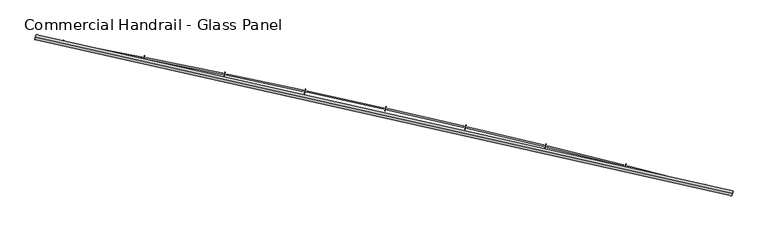
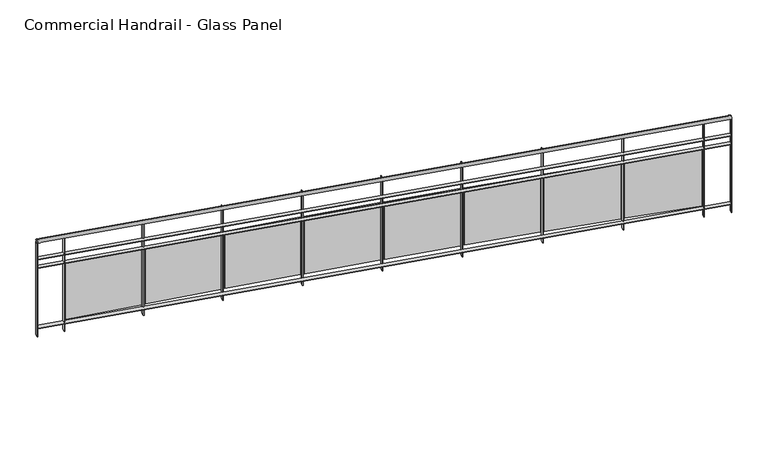
"""IFC4 building model written with IfcOpenShell, lengths in millimetres: railing geometry, Commercial Handrail - Glass Panel."""

import ifcopenshell
import ifcopenshell.guid

model = None  # the IFC model being written
_history = None  # IfcOwnerHistory: only IFC2X3 demands one
_inside = {}  # id of a spatial element -> (the spatial element, [elements in it])
_under = {}  # id of a project, library or spatial element -> (it, [spatial elements below it])
_declared = {}  # id of a project -> (the project, [libraries it declares])
_typed = {}  # id of a type object -> (the type object, [elements of that type])
_made_of = {}  # id of a material, layer set ... -> (it, [elements and type objects made of it])


def new_model(schema):
    """Start an empty IFC model of exactly this schema.

    Asked for "IFC4X3", IfcOpenShell would pick the latest addendum, in which some entities
    have other attributes; the version numbers below select the first issue.
    IFC2X3 requires an IfcOwnerHistory on every rooted entity: one is made here for all.
    """
    global model, _history
    if schema == "IFC4X3":
        model = ifcopenshell.file(schema_version=(4, 3, 0, 0))
    else:
        model = ifcopenshell.file(schema=schema)
    _inside.clear()
    _under.clear()
    _declared.clear()
    _typed.clear()
    _made_of.clear()
    _history = None
    if model.schema == "IFC2X3":
        org = make("IfcOrganization", Name="unknown")
        user = make(
            "IfcPersonAndOrganization",
            ThePerson=make("IfcPerson", FamilyName="unknown"),
            TheOrganization=org,
        )
        app = make(
            "IfcApplication",
            ApplicationDeveloper=org,
            Version="unknown",
            ApplicationFullName="unknown",
            ApplicationIdentifier="unknown",
        )
        _history = make(
            "IfcOwnerHistory",
            OwningUser=user,
            OwningApplication=app,
            ChangeAction="ADDED",
            CreationDate=0,
        )
    return model


def make(cls, **values):
    """One entity of the class cls with the attributes given. An attribute that is None is left unset."""
    return model.create_entity(
        cls, **{name: value for name, value in values.items() if value is not None}
    )


def rooted(cls, **values):
    """An entity with a GlobalId (a new one), such as an element, a storey or a relation."""
    return make(cls, GlobalId=ifcopenshell.guid.new(), OwnerHistory=_history, **values)


def si_unit(unit_type, name, prefix=None):
    """IfcSIUnit, for example si_unit("LENGTHUNIT", "METRE", prefix="MILLI")."""
    return make("IfcSIUnit", UnitType=unit_type, Prefix=prefix, Name=name)


def assignment(units):
    """IfcUnitAssignment: the units of a project."""
    return None if units is None else make("IfcUnitAssignment", Units=units)


def point(xyz):
    """IfcCartesianPoint."""
    return None if xyz is None else make("IfcCartesianPoint", Coordinates=xyz)


def direction(xyz):
    """IfcDirection."""
    return None if xyz is None else make("IfcDirection", DirectionRatios=xyz)


def frame(location, z_axis=None, x_axis=None):
    """IfcAxis2Placement3D, a coordinate frame: its origin and axes. An axis left out is left unset."""
    return make(
        "IfcAxis2Placement3D",
        Location=point(location),
        Axis=direction(z_axis),
        RefDirection=direction(x_axis),
    )


def origin():
    """The frame at (0, 0, 0) with its axes left unset."""
    return frame((0.0, 0.0, 0.0))


def place(relative_to, where):
    """IfcLocalPlacement: puts the frame where relative to a parent placement (None: the world)."""
    return make(
        "IfcLocalPlacement", PlacementRelTo=relative_to, RelativePlacement=where
    )


def context(
    kind, dimensions, precision=None, world=None, true_north=None, identifier=None
):
    """IfcGeometricRepresentationContext, for example the 3D "Model" context."""
    return make(
        "IfcGeometricRepresentationContext",
        ContextIdentifier=identifier,
        ContextType=kind,
        CoordinateSpaceDimension=dimensions,
        Precision=precision,
        WorldCoordinateSystem=world,
        TrueNorth=true_north,
    )


def project(units=None, contexts=None):
    """IfcProject with its units and contexts."""
    return rooted(
        "IfcProject",
        Name="project",
        RepresentationContexts=contexts,
        UnitsInContext=assignment(units),
    )


def spatial(cls, under=None, at=None, **own):
    """A site, building, storey or space (cls), placed at a placement, below another one or the project."""
    s = rooted(cls, ObjectPlacement=at, **own)
    if under is not None:
        _under.setdefault(under.id(), (under, []))[1].append(s)
    return s


def polyline(points):
    """IfcPolyline through the points."""
    return make("IfcPolyline", Points=[point(p) for p in points])


def circle_curve(where, radius):
    """IfcCircle in the frame where."""
    return make("IfcCircle", Position=where, Radius=radius)


def ellipse_curve(where, semi_axis1, semi_axis2):
    """IfcEllipse in the frame where."""
    return make(
        "IfcEllipse", Position=where, SemiAxis1=semi_axis1, SemiAxis2=semi_axis2
    )


def trimmed(basis, trim1, trim2, sense, master):
    """IfcTrimmedCurve: the piece of a basis curve between two trims."""
    return make(
        "IfcTrimmedCurve",
        BasisCurve=basis,
        Trim1=trim1,
        Trim2=trim2,
        SenseAgreement=sense,
        MasterRepresentation=master,
    )


def outline(outer, holes=None, kind="AREA"):
    """IfcArbitraryClosedProfileDef: a profile drawn as a closed curve; with holes, ...WithVoids."""
    if holes is None:
        return make("IfcArbitraryClosedProfileDef", ProfileType=kind, OuterCurve=outer)
    return make(
        "IfcArbitraryProfileDefWithVoids",
        ProfileType=kind,
        OuterCurve=outer,
        InnerCurves=holes,
    )


def extrude(swept, where, along, depth):
    """IfcExtrudedAreaSolid: the profile swept, set in the frame where, extruded along a direction by depth."""
    return make(
        "IfcExtrudedAreaSolid",
        SweptArea=swept,
        Position=where,
        ExtrudedDirection=direction(along),
        Depth=depth,
    )


def shape(context_of_items, identifier, shape_type, items):
    """IfcShapeRepresentation: the items that make up one representation, for example the "Body"."""
    return make(
        "IfcShapeRepresentation",
        ContextOfItems=context_of_items,
        RepresentationIdentifier=identifier,
        RepresentationType=shape_type,
        Items=items,
    )


def source(mapping_origin, context_of_items, identifier, shape_type, items):
    """IfcRepresentationMap: a shape defined once, which mapped items show again and again."""
    return make(
        "IfcRepresentationMap",
        MappingOrigin=mapping_origin,
        MappedRepresentation=shape(context_of_items, identifier, shape_type, items),
    )


def transform(
    local_origin,
    x_axis=None,
    y_axis=None,
    z_axis=None,
    scale=None,
    scale2=None,
    scale3=None,
    uniform=True,
):
    """IfcCartesianTransformationOperator3D, or its non-uniform kind. x_axis, y_axis, z_axis: its Axis1, 2, 3."""
    if uniform:
        return make(
            "IfcCartesianTransformationOperator3D",
            Axis1=direction(x_axis),
            Axis2=direction(y_axis),
            LocalOrigin=point(local_origin),
            Scale=scale,
            Axis3=direction(z_axis),
        )
    return make(
        "IfcCartesianTransformationOperator3DnonUniform",
        Axis1=direction(x_axis),
        Axis2=direction(y_axis),
        LocalOrigin=point(local_origin),
        Scale=scale,
        Axis3=direction(z_axis),
        Scale2=scale2,
        Scale3=scale3,
    )


def mapped(mapping_source, mapping_target):
    """IfcMappedItem: shows the shape of a source again, moved by a transform."""
    return make(
        "IfcMappedItem", MappingSource=mapping_source, MappingTarget=mapping_target
    )


def made_of(thing, what):
    """Note that an element or type object is made of a material, layer set ...; save() writes the relation."""
    if what is not None:
        _made_of.setdefault(what.id(), (what, []))[1].append(thing)
    return thing


def element(
    cls,
    number,
    at=None,
    inside=None,
    cuts=None,
    type_object=None,
    material=None,
    context=None,
    identifier="Body",
    shape_type=None,
    held_by="IfcProductDefinitionShape",
    body=None,
    shapes=None,
    **own,
):
    """One element of the class cls, such as IfcWall. Its Tag is "e" and its number.

    at: its placement. inside: the storey or other place that contains it. cuts: it is an
    opening in that element (IfcRelVoidsElement). A single representation is given by context,
    identifier, shape_type and body (its items); several are given by shapes. held_by: the class
    of the entity that holds the representations. save() writes the other relations.
    """
    e = rooted(cls, Tag="e%d" % number, ObjectPlacement=at, **own)
    if body is not None:
        shapes = [shape(context, identifier, shape_type, body)]
    if shapes is not None:
        e.Representation = make(held_by, Representations=shapes)
    if inside is not None:
        _inside.setdefault(inside.id(), (inside, []))[1].append(e)
    if cuts is not None:
        rooted(
            "IfcRelVoidsElement", RelatingBuildingElement=cuts, RelatedOpeningElement=e
        )
    if type_object is not None:
        _typed.setdefault(type_object.id(), (type_object, []))[1].append(e)
    return made_of(e, material)


def aggregate(whole, parts):
    """IfcRelAggregates: a whole, such as a stair, and the parts it consists of."""
    return rooted("IfcRelAggregates", RelatingObject=whole, RelatedObjects=parts)


def save(model, path):
    """Write the relations noted so far, then the file.

    IfcRelAggregates (storeys below a building ...), IfcRelContainedInSpatialStructure (elements
    in a storey), IfcRelDefinesByType, IfcRelAssociatesMaterial and IfcRelDeclares: one each for
    every whole, place, type object, material and project.
    """
    for whole, parts in _under.values():
        aggregate(whole, parts)
    for where, things in _inside.values():
        rooted(
            "IfcRelContainedInSpatialStructure",
            RelatedElements=things,
            RelatingStructure=where,
        )
    for kind, things in _typed.values():
        rooted("IfcRelDefinesByType", RelatedObjects=things, RelatingType=kind)
    for what, things in _made_of.values():
        rooted("IfcRelAssociatesMaterial", RelatedObjects=things, RelatingMaterial=what)
    for by, libraries in _declared.values():
        rooted("IfcRelDeclares", RelatingContext=by, RelatedDefinitions=libraries)
    model.write(path)


def plane_surface(at):
    """IfcPlane: the flat surface through the origin of the frame at, square to its z axis."""
    return make("IfcPlane", Position=at)


def cylinder_surface(at, radius):
    """IfcCylindricalSurface: all points at the distance radius from the z axis of the frame at."""
    return make("IfcCylindricalSurface", Position=at, Radius=radius)


def revolved_surface(curve, axis_point, axis_direction):
    """IfcSurfaceOfRevolution: the curve turned about the line through axis_point along axis_direction."""
    return make(
        "IfcSurfaceOfRevolution",
        SweptCurve=make("IfcArbitraryOpenProfileDef", ProfileType="CURVE", Curve=curve),
        AxisPosition=make("IfcAxis1Placement", Location=point(axis_point), Axis=direction(axis_direction)),
    )


def advanced_brep(points, edges, surfaces, faces):
    """IfcAdvancedBrep: a solid bounded by faces that lie on surfaces and meet in shared edges.

    An edge is (start, end): straight between two places in points (the first is 0);
    or (start, end, curve); or (start, end, curve, False) where it runs against its curve.
    A face is (place in surfaces, loops), or (place, loops, False) where it looks against
    its surface's normal. A loop lists edges by number (the first is 1), with a minus sign
    where the edge is run from its end to its start. The first loop is the outer one.
    """
    corners = [point(p) for p in points]
    vertices = [make("IfcVertexPoint", VertexGeometry=c) for c in corners]
    made = []
    for start, end, *more in edges:
        made.append(
            make(
                "IfcEdgeCurve",
                EdgeStart=vertices[start],
                EdgeEnd=vertices[end],
                EdgeGeometry=more[0] if more else make("IfcPolyline", Points=[corners[start], corners[end]]),
                SameSense=more[1] if len(more) > 1 else True,
            )
        )
    hull = []
    for where, loops, *sense in faces:
        bounds = []
        for j, loop in enumerate(loops):
            ring = [make("IfcOrientedEdge", EdgeElement=made[abs(k) - 1], Orientation=k > 0) for k in loop]
            bounds.append(
                make(
                    "IfcFaceOuterBound" if j == 0 else "IfcFaceBound",
                    Bound=make("IfcEdgeLoop", EdgeList=ring),
                    Orientation=True,
                )
            )
        hull.append(make("IfcAdvancedFace", Bounds=bounds, FaceSurface=surfaces[where], SameSense=sense[0] if sense else True))
    return make("IfcAdvancedBrep", Outer=make("IfcClosedShell", CfsFaces=hull))


def commercial_handrail_glass_panel_a49b130a(model_context):
    return source(origin(), model_context, "Body", "SolidModel", [
        advanced_brep(
        [(147529.5593555, -11171.1779597, 29882.5), (140754.7489821, -9648.612099, 29882.5), (140754.7489821, -9648.612099, 29917.5), (147529.5593555, -11171.1779597, 29917.5)],
        [
            (0, 1, circle_curve(frame((123990.1653691, -100078.2018552, 29882.5), z_axis=(0.0, 0.0, 1.0), x_axis=(0.18228230158229036, 0.9832462369772197, 0.0)), 91970.4407253)),
            (1, 2, ellipse_curve(frame((140754.7489821, -9648.612099, 29900.0), z_axis=(0.9832462369772187, -0.18228230158229675, 0.0), x_axis=(-0.18228230158229672, -0.9832462369772185, 0.0)), 25.0, 17.5)),
            (2, 3, circle_curve(frame((123990.1653691, -100078.2018552, 29917.5), z_axis=(0.0, 0.0, -1.0), x_axis=(0.18228230158229036, 0.9832462369772197, 0.0)), 91970.4407253)),
            (3, 0, ellipse_curve(frame((147529.5593555, -11171.1779597, 29900.0), z_axis=(-0.9666912890096803, 0.2559452124045356, 0.0), x_axis=(-0.2559452124045356, -0.9666912890096803, 0.0)), 25.0, 17.5)),
            (2, 1, ellipse_curve(frame((140754.7489821, -9648.612099, 29900.0), z_axis=(0.9832462369772187, -0.18228230158229675, 0.0), x_axis=(-0.18228230158229672, -0.9832462369772185, 0.0)), 25.0, 17.5)),
            (0, 3, ellipse_curve(frame((147529.5593555, -11171.1779597, 29900.0), z_axis=(-0.9666912890096803, 0.2559452124045356, 0.0), x_axis=(-0.2559452124045356, -0.9666912890096803, 0.0)), 25.0, 17.5)),
        ],
        [
            revolved_surface(trimmed(ellipse_curve(frame((140754.7489821, -9648.612099, 29900.0), z_axis=(-0.9832462369772197, 0.18228230158229036, 0.0), x_axis=(0.0, 0.0, -1.0)), 17.5, 25.0), [point((140754.7489821, -9648.612099, 29917.5))], [point((140754.7489821, -9648.612099, 29882.5))], True, "CARTESIAN"), (123990.1653691, -100078.2018552, 29900.0), (0.0, 0.0, -1.0)),
            revolved_surface(trimmed(ellipse_curve(frame((140754.7489821, -9648.612099, 29900.0), z_axis=(-0.9832462369772197, 0.18228230158229036, 0.0), x_axis=(0.0, 0.0, -1.0)), 17.5, 25.0), [point((140754.7489821, -9648.612099, 29882.5))], [point((140754.7489821, -9648.612099, 29917.5))], True, "CARTESIAN"), (123990.1653691, -100078.2018552, 29900.0), (0.0, 0.0, -1.0)),
            plane_surface(frame((140754.7489821, -9648.612099, 29900.0), z_axis=(-0.9832462369772198, 0.1822823015822904, 0.0), x_axis=(0.1822823015822904, 0.9832462369772198, 0.0))),
            plane_surface(frame((147529.5593555, -11171.1779597, 29900.0), z_axis=(0.9666912890096803, -0.25594521240453566, 0.0), x_axis=(0.25594521240453566, 0.9666912890096803, 0.0))),
        ],
        [
            (0, [[1, 2, 3, 4]]),
            (1, [[-3, 5, -1, 6]]),
            (2, [[-2, -5]]),
            (3, [[-6, -4]]),
        ],
    ),
        advanced_brep(
        [(147535.3181228, -11149.4274057, 29700.0), (140758.8503338, -9626.4890586, 29700.0), (140750.6476303, -9670.7351393, 29700.0), (147523.8005882, -11192.9285137, 29700.0), (147535.3181228, -11149.4274057, 29694.0), (140758.8503338, -9626.4890586, 29694.0), (147523.8005882, -11192.9285137, 29694.0), (140750.6476303, -9670.7351393, 29694.0)],
        [
            (0, 1, circle_curve(frame((123990.1653691, -100078.2018552, 29700.0), z_axis=(0.0, 0.0, 1.0), x_axis=(0.18228230158229036, 0.9832462369772197, 0.0)), 91992.9407253)),
            (1, 2),
            (2, 3, circle_curve(frame((123990.1653691, -100078.2018552, 29700.0), z_axis=(0.0, 0.0, -1.0), x_axis=(0.18228230158229036, 0.9832462369772197, 0.0)), 91947.9407253)),
            (3, 0),
            (4, 5, circle_curve(frame((123990.1653691, -100078.2018552, 29694.0), z_axis=(0.0, 0.0, 1.0), x_axis=(0.18228230158229036, 0.9832462369772197, 0.0)), 91992.9407253)),
            (5, 1),
            (0, 4),
            (6, 7, circle_curve(frame((123990.1653691, -100078.2018552, 29694.0), z_axis=(0.0, 0.0, 1.0), x_axis=(0.18228230158229036, 0.9832462369772197, 0.0)), 91947.9407253)),
            (7, 5),
            (4, 6),
            (2, 7),
            (6, 3),
        ],
        [
            plane_surface(frame((123990.1653691, -100078.2018552, 29700.0), z_axis=(0.0, 0.0, 1.0), x_axis=(0.18228230158229036, 0.9832462369772197, 0.0))),
            cylinder_surface(frame((123990.1653691, -100078.2018552, 29700.0), z_axis=(0.0, 0.0, -1.0), x_axis=(0.18228230158229036, 0.9832462369772197, 0.0)), 91992.9407253),
            plane_surface(frame((123990.1653691, -100078.2018552, 29694.0), z_axis=(0.0, 0.0, -1.0), x_axis=(0.18228230158229036, 0.9832462369772197, 0.0))),
            revolved_surface(polyline([(140750.6476302597, -9670.735139244323, 29694.0), (140750.6476302597, -9670.735139244323, 29700.0)]), (123990.1653691, -100078.2018552, 29700.0), (0.0, 0.0, -1.0)),
            plane_surface(frame((140754.7489821, -9648.612099, 29700.0), z_axis=(-0.9832462369772198, 0.1822823015822904, 0.0), x_axis=(0.1822823015822904, 0.9832462369772198, 0.0))),
            plane_surface(frame((147529.5593555, -11171.1779597, 29700.0), z_axis=(0.9666912890096803, -0.25594521240453566, 0.0), x_axis=(0.25594521240453566, 0.9666912890096803, 0.0))),
        ],
        [
            (0, [[1, 2, 3, 4]]),
            (1, [[5, 6, -1, 7]]),
            (2, [[8, 9, -5, 10]]),
            (3, [[-3, 11, -8, 12]]),
            (4, [[-2, -6, -9, -11]]),
            (5, [[-12, -10, -7, -4]]),
        ],
    ),
        advanced_brep(
        [(147535.3181228, -11149.4274057, 29600.0), (140758.8503338, -9626.4890586, 29600.0), (140750.6476303, -9670.7351393, 29600.0), (147523.8005882, -11192.9285137, 29600.0), (147535.3181228, -11149.4274057, 29594.0), (140758.8503338, -9626.4890586, 29594.0), (147523.8005882, -11192.9285137, 29594.0), (140750.6476303, -9670.7351393, 29594.0)],
        [
            (0, 1, circle_curve(frame((123990.1653691, -100078.2018552, 29600.0), z_axis=(0.0, 0.0, 1.0), x_axis=(0.18228230158229036, 0.9832462369772197, 0.0)), 91992.9407253)),
            (1, 2),
            (2, 3, circle_curve(frame((123990.1653691, -100078.2018552, 29600.0), z_axis=(0.0, 0.0, -1.0), x_axis=(0.18228230158229036, 0.9832462369772197, 0.0)), 91947.9407253)),
            (3, 0),
            (4, 5, circle_curve(frame((123990.1653691, -100078.2018552, 29594.0), z_axis=(0.0, 0.0, 1.0), x_axis=(0.18228230158229036, 0.9832462369772197, 0.0)), 91992.9407253)),
            (5, 1),
            (0, 4),
            (6, 7, circle_curve(frame((123990.1653691, -100078.2018552, 29594.0), z_axis=(0.0, 0.0, 1.0), x_axis=(0.18228230158229036, 0.9832462369772197, 0.0)), 91947.9407253)),
            (7, 5),
            (4, 6),
            (2, 7),
            (6, 3),
        ],
        [
            plane_surface(frame((123990.1653691, -100078.2018552, 29600.0), z_axis=(0.0, 0.0, 1.0), x_axis=(0.18228230158229036, 0.9832462369772197, 0.0))),
            cylinder_surface(frame((123990.1653691, -100078.2018552, 29600.0), z_axis=(0.0, 0.0, -1.0), x_axis=(0.18228230158229036, 0.9832462369772197, 0.0)), 91992.9407253),
            plane_surface(frame((123990.1653691, -100078.2018552, 29594.0), z_axis=(0.0, 0.0, -1.0), x_axis=(0.18228230158229036, 0.9832462369772197, 0.0))),
            revolved_surface(polyline([(140750.6476302597, -9670.735139244323, 29594.0), (140750.6476302597, -9670.735139244323, 29600.0)]), (123990.1653691, -100078.2018552, 29600.0), (0.0, 0.0, -1.0)),
            plane_surface(frame((140754.7489821, -9648.612099, 29600.0), z_axis=(-0.9832462369772198, 0.1822823015822904, 0.0), x_axis=(0.1822823015822904, 0.9832462369772198, 0.0))),
            plane_surface(frame((147529.5593555, -11171.1779597, 29600.0), z_axis=(0.9666912890096803, -0.25594521240453566, 0.0), x_axis=(0.25594521240453566, 0.9666912890096803, 0.0))),
        ],
        [
            (0, [[1, 2, 3, 4]]),
            (1, [[5, 6, -1, 7]]),
            (2, [[8, 9, -5, 10]]),
            (3, [[-3, 11, -8, 12]]),
            (4, [[-2, -6, -9, -11]]),
            (5, [[-12, -10, -7, -4]]),
        ],
    ),
        advanced_brep(
        [(147535.3181228, -11149.4274057, 28900.0), (140758.8503338, -9626.4890586, 28900.0), (140750.6476303, -9670.7351393, 28900.0), (147523.8005882, -11192.9285137, 28900.0), (147535.3181228, -11149.4274057, 28894.0), (140758.8503338, -9626.4890586, 28894.0), (147523.8005882, -11192.9285137, 28894.0), (140750.6476303, -9670.7351393, 28894.0)],
        [
            (0, 1, circle_curve(frame((123990.1653691, -100078.2018552, 28900.0), z_axis=(0.0, 0.0, 1.0), x_axis=(0.18228230158229036, 0.9832462369772197, 0.0)), 91992.9407253)),
            (1, 2),
            (2, 3, circle_curve(frame((123990.1653691, -100078.2018552, 28900.0), z_axis=(0.0, 0.0, -1.0), x_axis=(0.18228230158229036, 0.9832462369772197, 0.0)), 91947.9407253)),
            (3, 0),
            (4, 5, circle_curve(frame((123990.1653691, -100078.2018552, 28894.0), z_axis=(0.0, 0.0, 1.0), x_axis=(0.18228230158229036, 0.9832462369772197, 0.0)), 91992.9407253)),
            (5, 1),
            (0, 4),
            (6, 7, circle_curve(frame((123990.1653691, -100078.2018552, 28894.0), z_axis=(0.0, 0.0, 1.0), x_axis=(0.18228230158229036, 0.9832462369772197, 0.0)), 91947.9407253)),
            (7, 5),
            (4, 6),
            (2, 7),
            (6, 3),
        ],
        [
            plane_surface(frame((123990.1653691, -100078.2018552, 28900.0), z_axis=(0.0, 0.0, 1.0), x_axis=(0.18228230158229036, 0.9832462369772197, 0.0))),
            cylinder_surface(frame((123990.1653691, -100078.2018552, 28900.0), z_axis=(0.0, 0.0, -1.0), x_axis=(0.18228230158229036, 0.9832462369772197, 0.0)), 91992.9407253),
            plane_surface(frame((123990.1653691, -100078.2018552, 28894.0), z_axis=(0.0, 0.0, -1.0), x_axis=(0.18228230158229036, 0.9832462369772197, 0.0))),
            revolved_surface(polyline([(140750.6476302597, -9670.735139244323, 28894.0), (140750.6476302597, -9670.735139244323, 28900.0)]), (123990.1653691, -100078.2018552, 28900.0), (0.0, 0.0, -1.0)),
            plane_surface(frame((140754.7489821, -9648.612099, 28900.0), z_axis=(-0.9832462369772198, 0.1822823015822904, 0.0), x_axis=(0.1822823015822904, 0.9832462369772198, 0.0))),
            plane_surface(frame((147529.5593555, -11171.1779597, 28900.0), z_axis=(0.9666912890096803, -0.25594521240453566, 0.0), x_axis=(0.25594521240453566, 0.9666912890096803, 0.0))),
        ],
        [
            (0, [[1, 2, 3, 4]]),
            (1, [[5, 6, -1, 7]]),
            (2, [[8, 9, -5, 10]]),
            (3, [[-3, 11, -8, 12]]),
            (4, [[-2, -6, -9, -11]]),
            (5, [[-12, -10, -7, -4]]),
        ],
    ),
        extrude(outline(polyline([(147257.221986, -11122.7754383), (147268.6104754, -11079.2403685), (147274.4151514, -11080.7588337), (147263.0266619, -11124.2939036), (147257.221986, -11122.7754383)])), frame((0.0, 0.0, 28800.0), z_axis=(0.0, 0.0, 1.0), x_axis=(1.0, 0.0, 0.0)), (0.0, 0.0, 1.0), 1082.1192282),
        extrude(outline(polyline([(146512.0701942, -10900.9970799), (147248.1587203, -11090.1363983), (147245.17231, -11101.7588487), (146509.0837839, -10912.6195303), (146512.0701942, -10900.9970799)])), frame((0.0, 0.0, 28920.0), z_axis=(0.0, 0.0, 1.0), x_axis=(1.0, 0.0, 0.0)), (0.0, 0.0, 1.0), 660.0),
        extrude(outline(polyline([(146482.5774638, -10923.7560279), (146493.5868397, -10880.1235441), (146499.4045042, -10881.5914608), (146488.3951283, -10925.2239446), (146482.5774638, -10923.7560279)])), frame((0.0, 0.0, 28800.0), z_axis=(0.0, 0.0, 1.0), x_axis=(1.0, 0.0, 0.0)), (0.0, 0.0, 1.0), 1082.1192282),
        extrude(outline(polyline([(145735.524759, -10708.4676411), (146473.2306356, -10891.1970579), (146470.3454342, -10902.8450454), (145732.6395577, -10720.1156287), (145735.524759, -10708.4676411)])), frame((0.0, 0.0, 28920.0), z_axis=(0.0, 0.0, 1.0), x_axis=(1.0, 0.0, 0.0)), (0.0, 0.0, 1.0), 660.0),
        extrude(outline(polyline([(145706.2311094, -10731.4822658), (145716.8605387, -10687.7556694), (145722.6907516, -10689.1729267), (145712.0613222, -10732.8995231), (145706.2311094, -10731.4822658)])), frame((0.0, 0.0, 28800.0), z_axis=(0.0, 0.0, 1.0), x_axis=(1.0, 0.0, 0.0)), (0.0, 0.0, 1.0), 1082.1192282),
        extrude(outline(polyline([(144957.3340156, -10522.7001401), (145696.6014259, -10699.0058295), (145693.8176518, -10710.6784728), (144954.5502416, -10534.3727835), (144957.3340156, -10522.7001401)])), frame((0.0, 0.0, 28920.0), z_axis=(0.0, 0.0, 1.0), x_axis=(1.0, 0.0, 0.0)), (0.0, 0.0, 1.0), 660.0),
        extrude(outline(polyline([(144928.2416631, -10545.9687002), (144938.4903417, -10502.1512997), (144944.3326617, -10503.5177901), (144934.0839832, -10547.3351907), (144928.2416631, -10545.9687002)])), frame((0.0, 0.0, 28800.0), z_axis=(0.0, 0.0, 1.0), x_axis=(1.0, 0.0, 0.0)), (0.0, 0.0, 1.0), 1082.1192282),
        extrude(outline(polyline([(144177.5568437, -10343.7086325), (144918.3298529, -10513.5772547), (144915.6477168, -10525.2736707), (144174.8747076, -10355.4050484), (144177.5568437, -10343.7086325)])), frame((0.0, 0.0, 28920.0), z_axis=(0.0, 0.0, 1.0), x_axis=(1.0, 0.0, 0.0)), (0.0, 0.0, 1.0), 660.0),
        extrude(outline(polyline([(144148.6679896, -10367.2293674), (144158.5351419, -10323.324478), (144164.3891271, -10324.6400983), (144154.5219749, -10368.5449877), (144148.6679896, -10367.2293674)])), frame((0.0, 0.0, 28800.0), z_axis=(0.0, 0.0, 1.0), x_axis=(1.0, 0.0, 0.0)), (0.0, 0.0, 1.0), 1082.1192282),
        extrude(outline(polyline([(143396.2522433, -10171.5066611), (144138.4748027, -10334.9253636), (144135.8945074, -10346.6446671), (143393.671948, -10183.2259647), (143396.2522433, -10171.5066611)])), frame((0.0, 0.0, 28920.0), z_axis=(0.0, 0.0, 1.0), x_axis=(1.0, 0.0, 0.0)), (0.0, 0.0, 1.0), 660.0),
        extrude(outline(polyline([(143367.5690734, -10195.2777912), (143377.0539528, -10151.288735), (143382.9191603, -10152.5533856), (143373.4342809, -10196.5424418), (143367.5690734, -10195.2777912)])), frame((0.0, 0.0, 28800.0), z_axis=(0.0, 0.0, 1.0), x_axis=(1.0, 0.0, 0.0)), (0.0, 0.0, 1.0), 1082.1192282),
        extrude(outline(polyline([(142613.4793297, -10006.1072553), (143357.0952809, -10163.0636733), (143354.6170217, -10174.8049778), (142611.0010705, -10017.8485598), (142613.4793297, -10006.1072553)])), frame((0.0, 0.0, 28920.0), z_axis=(0.0, 0.0, 1.0), x_axis=(1.0, 0.0, 0.0)), (0.0, 0.0, 1.0), 660.0),
        extrude(outline(polyline([(142585.0040143, -10030.126982), (142594.1059033, -9986.0570873), (142599.9818892, -9987.2706725), (142590.8800002, -10031.3405672), (142585.0040143, -10030.126982)])), frame((0.0, 0.0, 28800.0), z_axis=(0.0, 0.0, 1.0), x_axis=(1.0, 0.0, 0.0)), (0.0, 0.0, 1.0), 1082.1192282),
        extrude(outline(polyline([(141829.2973297, -9847.5229296), (142574.2504088, -9998.0051873), (142571.8743732, -10009.7676044), (141826.921294, -9859.2853466), (141829.2973297, -9847.5229296)])), frame((0.0, 0.0, 28920.0), z_axis=(0.0, 0.0, 1.0), x_axis=(1.0, 0.0, 0.0)), (0.0, 0.0, 1.0), 660.0),
        extrude(outline(polyline([(141801.0320231, -9871.7894354), (141809.750233, -9827.6420367), (141815.6365528, -9828.8044646), (141806.918343, -9872.9518634), (141801.0320231, -9871.7894354)])), frame((0.0, 0.0, 28800.0), z_axis=(0.0, 0.0, 1.0), x_axis=(1.0, 0.0, 0.0)), (0.0, 0.0, 1.0), 1082.1192282),
        extrude(outline(polyline([(141043.7655762, -9695.7656828), (141789.9994183, -9839.7623945), (141787.725786, -9851.5450341), (141041.491944, -9707.5483224), (141043.7655762, -9695.7656828)])), frame((0.0, 0.0, 28920.0), z_axis=(0.0, 0.0, 1.0), x_axis=(1.0, 0.0, 0.0)), (0.0, 0.0, 1.0), 660.0),
        extrude(outline(polyline([(141015.7124173, -9720.2771318), (141024.0462883, -9676.0555692), (141029.9424967, -9677.166752), (141021.6086256, -9721.3883146), (141015.7124173, -9720.2771318)])), frame((0.0, 0.0, 28800.0), z_axis=(0.0, 0.0, 1.0), x_axis=(1.0, 0.0, 0.0)), (0.0, 0.0, 1.0), 1082.1192282),
        extrude(outline(polyline([(147520.9005143, -11192.1606781), (147532.4180489, -11148.6595701), (147538.2181966, -11150.1952413), (147526.7006621, -11193.6963494), (147520.9005143, -11192.1606781)])), frame((0.0, 0.0, 28800.0), z_axis=(0.0, 0.0, 1.0), x_axis=(1.0, 0.0, 0.0)), (0.0, 0.0, 1.0), 1082.1192282),
        extrude(outline(polyline([(140747.6978916, -9670.1882924), (140755.9005951, -9625.9422117), (140761.8000726, -9627.0359055), (140753.597369, -9671.2819862), (140747.6978916, -9670.1882924)])), frame((0.0, 0.0, 28800.0), z_axis=(0.0, 0.0, 1.0), x_axis=(1.0, 0.0, 0.0)), (0.0, 0.0, 1.0), 1082.1192282),
    ])


if __name__ == "__main__":
    model = new_model("IFC4")
    model_context = context("Model", 3, world=origin())
    ifc_project = project(units=[si_unit("LENGTHUNIT", "METRE", prefix="MILLI")], contexts=[model_context])
    site = spatial("IfcSite", under=ifc_project)
    building = spatial("IfcBuilding", under=site)
    placement = place(None, origin())
    commercial_handrail_glass_panel_shape = commercial_handrail_glass_panel_a49b130a(model_context)
    element("IfcRailing", 1, ObjectType="Commercial Handrail - Glass Panel", at=placement, inside=building, context=model_context, shape_type="MappedRepresentation", body=[
        mapped(commercial_handrail_glass_panel_shape, transform((0.0, 0.0, 0.0), x_axis=(1.0, 0.0, 0.0), y_axis=(0.0, 1.0, 0.0), z_axis=(0.0, 0.0, 1.0))),
    ])
    save(model, "model.ifc")
